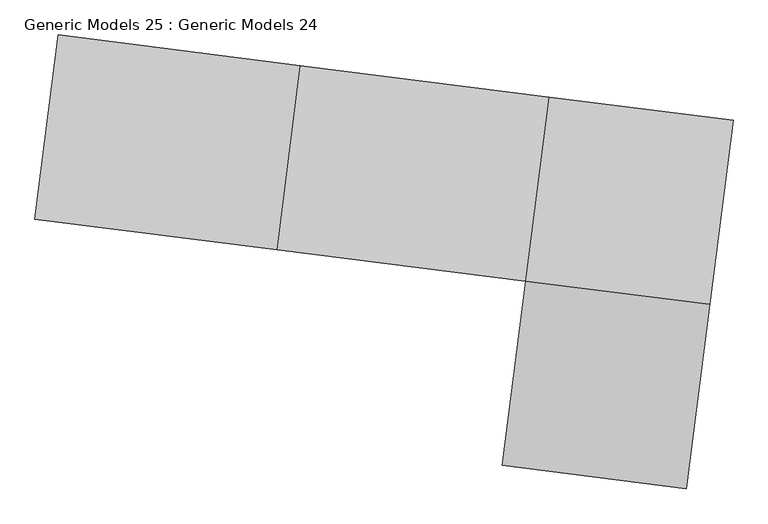
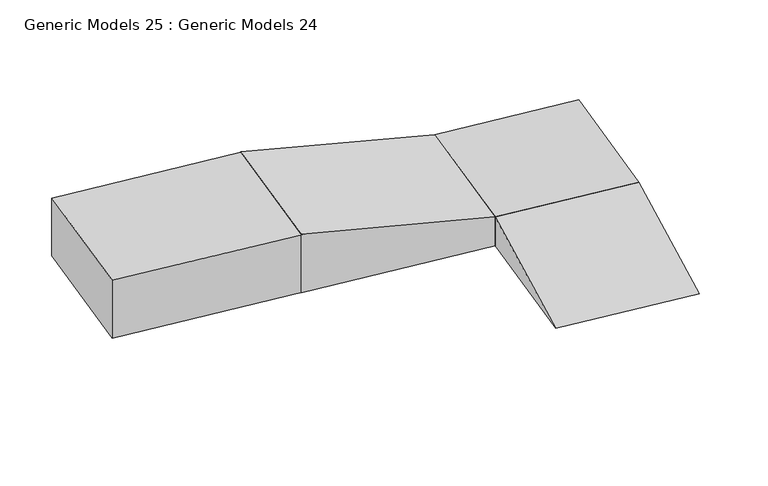
"""IFC4 building model written with IfcOpenShell, lengths in millimetres: proxy geometry, Generic Models 25 : Generic Models 24."""

from ifc_helpers import new_model, si_unit, frame, origin, origin_with_axes, place, context, project, spatial, polyline, outline, extrude, source, transform, mapped, element, save


def generic_models_25_generic_models_24_e302d0ae(model_context):
    return source(origin(), model_context, "Body", "SweptSolid", [
        extrude(outline(polyline([(-252996.8212735, 3617.2952135), (-251508.7050173, 3428.8542199), (-251697.2182154, 1940.1677668), (-253185.3344715, 2128.6087604), (-252996.8212735, 3617.2952135)])), origin_with_axes(), (0.0, 0.0, 1.0), 341.1693351),
        extrude(outline(polyline([(0.0, 0.0), (1500.5747504, 0.0), (1500.5747504, -341.1693351), (0.0, 0.0)])), frame((-251885.7314134, 451.4813137, 0.0), z_axis=(-0.9920775041186118, 0.1256273291198444, 0.0), x_axis=(0.1256273291198444, 0.9920775041186118, 0.0)), (0.0, 0.0, 1.0), 1500.0),
        extrude(outline(polyline([(-2021.7399475, 0.0), (33.8523232, 0.0), (-81.641788, -677.0486048), (-2079.1094888, -336.3112412), (-2021.7399475, 0.0)])), frame((-255162.4966265, 2378.9779098, 681.1362706), z_axis=(0.1256273291198463, 0.9920775041186116, 0.0), x_axis=(-0.9779507782084267, 0.12383845391812369, 0.16815562058016814)), (0.0, 0.0, 1.0), 1500.7602137),
        extrude(outline(polyline([(-256966.0222747, 4120.1043003), (-255007.0660351, 3872.0405762), (-255162.6889212, 2379.0022601), (-257154.558772, 2631.2338532), (-256966.0222747, 4120.1043003)])), origin_with_axes(), (0.0, 0.0, 1.0), 680.0),
    ])


if __name__ == "__main__":
    model = new_model("IFC4")
    model_context = context("Model", 3, world=origin())
    ifc_project = project(units=[si_unit("LENGTHUNIT", "METRE", prefix="MILLI")], contexts=[model_context])
    site = spatial("IfcSite", under=ifc_project)
    building = spatial("IfcBuilding", under=site)
    placement = place(None, origin())
    generic_models_25_generic_models_24_shape = generic_models_25_generic_models_24_e302d0ae(model_context)
    element("IfcBuildingElementProxy", 1, Name="Generic Models 25 : Generic Models 24", ObjectType="Generic Models 25 : Generic Models 24", at=placement, inside=building, context=model_context, shape_type="MappedRepresentation", body=[
        mapped(generic_models_25_generic_models_24_shape, transform((0.0, 0.0, 0.0), x_axis=(1.0, 0.0, 0.0), y_axis=(0.0, 1.0, 0.0), z_axis=(0.0, 0.0, 1.0))),
    ])
    save(model, "model.ifc")
